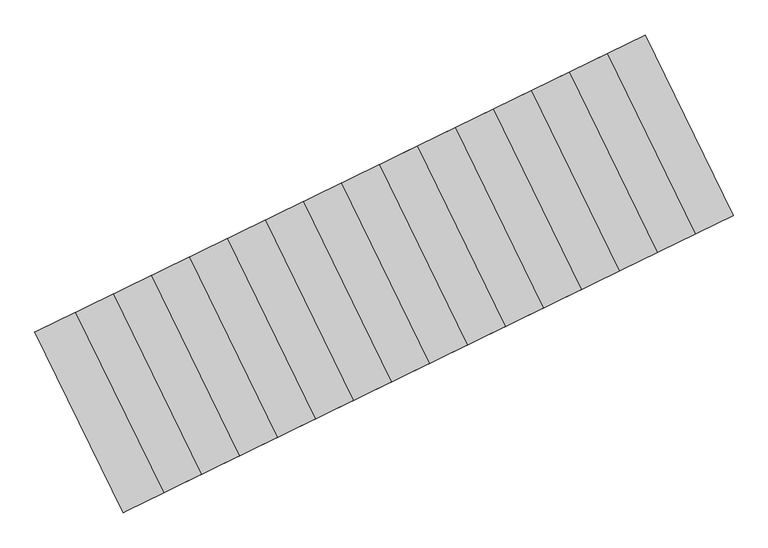
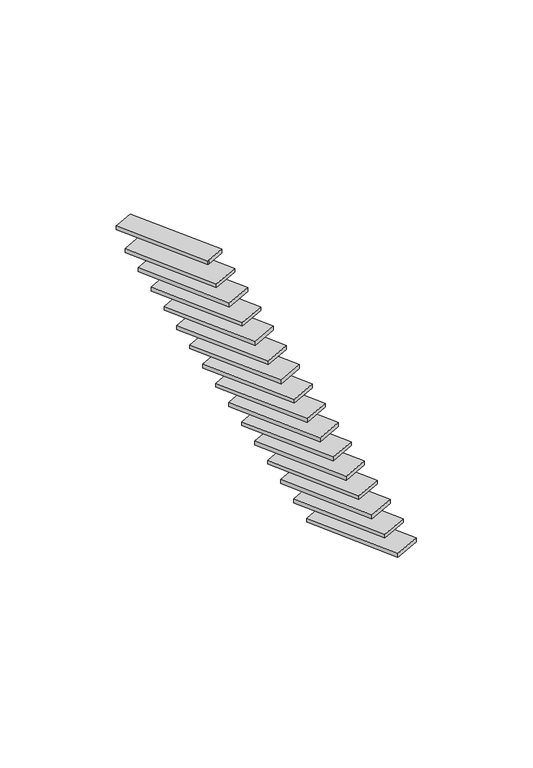
"""IFC4 building model written with IfcOpenShell, lengths in millimetres: stair flight geometry."""

import ifcopenshell
import ifcopenshell.guid

model = None  # the IFC model being written
_history = None  # IfcOwnerHistory: only IFC2X3 demands one
_inside = {}  # id of a spatial element -> (the spatial element, [elements in it])
_under = {}  # id of a project, library or spatial element -> (it, [spatial elements below it])
_declared = {}  # id of a project -> (the project, [libraries it declares])
_typed = {}  # id of a type object -> (the type object, [elements of that type])
_made_of = {}  # id of a material, layer set ... -> (it, [elements and type objects made of it])


def new_model(schema):
    """Start an empty IFC model of exactly this schema.

    Asked for "IFC4X3", IfcOpenShell would pick the latest addendum, in which some entities
    have other attributes; the version numbers below select the first issue.
    IFC2X3 requires an IfcOwnerHistory on every rooted entity: one is made here for all.
    """
    global model, _history
    if schema == "IFC4X3":
        model = ifcopenshell.file(schema_version=(4, 3, 0, 0))
    else:
        model = ifcopenshell.file(schema=schema)
    _inside.clear()
    _under.clear()
    _declared.clear()
    _typed.clear()
    _made_of.clear()
    _history = None
    if model.schema == "IFC2X3":
        org = make("IfcOrganization", Name="unknown")
        user = make(
            "IfcPersonAndOrganization",
            ThePerson=make("IfcPerson", FamilyName="unknown"),
            TheOrganization=org,
        )
        app = make(
            "IfcApplication",
            ApplicationDeveloper=org,
            Version="unknown",
            ApplicationFullName="unknown",
            ApplicationIdentifier="unknown",
        )
        _history = make(
            "IfcOwnerHistory",
            OwningUser=user,
            OwningApplication=app,
            ChangeAction="ADDED",
            CreationDate=0,
        )
    return model


def make(cls, **values):
    """One entity of the class cls with the attributes given. An attribute that is None is left unset."""
    return model.create_entity(
        cls, **{name: value for name, value in values.items() if value is not None}
    )


def rooted(cls, **values):
    """An entity with a GlobalId (a new one), such as an element, a storey or a relation."""
    return make(cls, GlobalId=ifcopenshell.guid.new(), OwnerHistory=_history, **values)


def si_unit(unit_type, name, prefix=None):
    """IfcSIUnit, for example si_unit("LENGTHUNIT", "METRE", prefix="MILLI")."""
    return make("IfcSIUnit", UnitType=unit_type, Prefix=prefix, Name=name)


def assignment(units):
    """IfcUnitAssignment: the units of a project."""
    return None if units is None else make("IfcUnitAssignment", Units=units)


def point(xyz):
    """IfcCartesianPoint."""
    return None if xyz is None else make("IfcCartesianPoint", Coordinates=xyz)


def direction(xyz):
    """IfcDirection."""
    return None if xyz is None else make("IfcDirection", DirectionRatios=xyz)


def frame(location, z_axis=None, x_axis=None):
    """IfcAxis2Placement3D, a coordinate frame: its origin and axes. An axis left out is left unset."""
    return make(
        "IfcAxis2Placement3D",
        Location=point(location),
        Axis=direction(z_axis),
        RefDirection=direction(x_axis),
    )


def origin():
    """The frame at (0, 0, 0) with its axes left unset."""
    return frame((0.0, 0.0, 0.0))


def place(relative_to, where):
    """IfcLocalPlacement: puts the frame where relative to a parent placement (None: the world)."""
    return make(
        "IfcLocalPlacement", PlacementRelTo=relative_to, RelativePlacement=where
    )


def context(
    kind, dimensions, precision=None, world=None, true_north=None, identifier=None
):
    """IfcGeometricRepresentationContext, for example the 3D "Model" context."""
    return make(
        "IfcGeometricRepresentationContext",
        ContextIdentifier=identifier,
        ContextType=kind,
        CoordinateSpaceDimension=dimensions,
        Precision=precision,
        WorldCoordinateSystem=world,
        TrueNorth=true_north,
    )


def project(units=None, contexts=None):
    """IfcProject with its units and contexts."""
    return rooted(
        "IfcProject",
        Name="project",
        RepresentationContexts=contexts,
        UnitsInContext=assignment(units),
    )


def spatial(cls, under=None, at=None, **own):
    """A site, building, storey or space (cls), placed at a placement, below another one or the project."""
    s = rooted(cls, ObjectPlacement=at, **own)
    if under is not None:
        _under.setdefault(under.id(), (under, []))[1].append(s)
    return s


def polyline(points):
    """IfcPolyline through the points."""
    return make("IfcPolyline", Points=[point(p) for p in points])


def outline(outer, holes=None, kind="AREA"):
    """IfcArbitraryClosedProfileDef: a profile drawn as a closed curve; with holes, ...WithVoids."""
    if holes is None:
        return make("IfcArbitraryClosedProfileDef", ProfileType=kind, OuterCurve=outer)
    return make(
        "IfcArbitraryProfileDefWithVoids",
        ProfileType=kind,
        OuterCurve=outer,
        InnerCurves=holes,
    )


def extrude(swept, where, along, depth):
    """IfcExtrudedAreaSolid: the profile swept, set in the frame where, extruded along a direction by depth."""
    return make(
        "IfcExtrudedAreaSolid",
        SweptArea=swept,
        Position=where,
        ExtrudedDirection=direction(along),
        Depth=depth,
    )


def shape(context_of_items, identifier, shape_type, items):
    """IfcShapeRepresentation: the items that make up one representation, for example the "Body"."""
    return make(
        "IfcShapeRepresentation",
        ContextOfItems=context_of_items,
        RepresentationIdentifier=identifier,
        RepresentationType=shape_type,
        Items=items,
    )


def source(mapping_origin, context_of_items, identifier, shape_type, items):
    """IfcRepresentationMap: a shape defined once, which mapped items show again and again."""
    return make(
        "IfcRepresentationMap",
        MappingOrigin=mapping_origin,
        MappedRepresentation=shape(context_of_items, identifier, shape_type, items),
    )


def transform(
    local_origin,
    x_axis=None,
    y_axis=None,
    z_axis=None,
    scale=None,
    scale2=None,
    scale3=None,
    uniform=True,
):
    """IfcCartesianTransformationOperator3D, or its non-uniform kind. x_axis, y_axis, z_axis: its Axis1, 2, 3."""
    if uniform:
        return make(
            "IfcCartesianTransformationOperator3D",
            Axis1=direction(x_axis),
            Axis2=direction(y_axis),
            LocalOrigin=point(local_origin),
            Scale=scale,
            Axis3=direction(z_axis),
        )
    return make(
        "IfcCartesianTransformationOperator3DnonUniform",
        Axis1=direction(x_axis),
        Axis2=direction(y_axis),
        LocalOrigin=point(local_origin),
        Scale=scale,
        Axis3=direction(z_axis),
        Scale2=scale2,
        Scale3=scale3,
    )


def mapped(mapping_source, mapping_target):
    """IfcMappedItem: shows the shape of a source again, moved by a transform."""
    return make(
        "IfcMappedItem", MappingSource=mapping_source, MappingTarget=mapping_target
    )


def made_of(thing, what):
    """Note that an element or type object is made of a material, layer set ...; save() writes the relation."""
    if what is not None:
        _made_of.setdefault(what.id(), (what, []))[1].append(thing)
    return thing


def element(
    cls,
    number,
    at=None,
    inside=None,
    cuts=None,
    type_object=None,
    material=None,
    context=None,
    identifier="Body",
    shape_type=None,
    held_by="IfcProductDefinitionShape",
    body=None,
    shapes=None,
    **own,
):
    """One element of the class cls, such as IfcWall. Its Tag is "e" and its number.

    at: its placement. inside: the storey or other place that contains it. cuts: it is an
    opening in that element (IfcRelVoidsElement). A single representation is given by context,
    identifier, shape_type and body (its items); several are given by shapes. held_by: the class
    of the entity that holds the representations. save() writes the other relations.
    """
    e = rooted(cls, Tag="e%d" % number, ObjectPlacement=at, **own)
    if body is not None:
        shapes = [shape(context, identifier, shape_type, body)]
    if shapes is not None:
        e.Representation = make(held_by, Representations=shapes)
    if inside is not None:
        _inside.setdefault(inside.id(), (inside, []))[1].append(e)
    if cuts is not None:
        rooted(
            "IfcRelVoidsElement", RelatingBuildingElement=cuts, RelatedOpeningElement=e
        )
    if type_object is not None:
        _typed.setdefault(type_object.id(), (type_object, []))[1].append(e)
    return made_of(e, material)


def aggregate(whole, parts):
    """IfcRelAggregates: a whole, such as a stair, and the parts it consists of."""
    return rooted("IfcRelAggregates", RelatingObject=whole, RelatedObjects=parts)


def save(model, path):
    """Write the relations noted so far, then the file.

    IfcRelAggregates (storeys below a building ...), IfcRelContainedInSpatialStructure (elements
    in a storey), IfcRelDefinesByType, IfcRelAssociatesMaterial and IfcRelDeclares: one each for
    every whole, place, type object, material and project.
    """
    for whole, parts in _under.values():
        aggregate(whole, parts)
    for where, things in _inside.values():
        rooted(
            "IfcRelContainedInSpatialStructure",
            RelatedElements=things,
            RelatingStructure=where,
        )
    for kind, things in _typed.values():
        rooted("IfcRelDefinesByType", RelatedObjects=things, RelatingType=kind)
    for what, things in _made_of.values():
        rooted("IfcRelAssociatesMaterial", RelatedObjects=things, RelatingMaterial=what)
    for by, libraries in _declared.values():
        rooted("IfcRelDeclares", RelatingContext=by, RelatedDefinitions=libraries)
    model.write(path)


def stair_flight_803d6e03(model_context):
    return source(origin(), model_context, "Body", "SweptSolid", [
        extrude(outline(polyline([(-129362.2221413, 21695.3191239), (-129674.931393, 22336.468104), (-129486.1846433, 22428.5260448), (-129173.4753916, 21787.3770647), (-129362.2221413, 21695.3191239)])), frame((0.0, 0.0, 11338.8973782), z_axis=(0.0, 0.0, 1.0), x_axis=(1.0, 0.0, 0.0)), (0.0, 0.0, 1.0), 30.0),
        extrude(outline(polyline([(-129497.0412482, 21629.5634519), (-129809.7505, 22270.712432), (-129621.0037503, 22362.7703728), (-129308.2944985, 21721.6213927), (-129497.0412482, 21629.5634519)])), frame((0.0, 0.0, 11578.2947564), z_axis=(0.0, 0.0, 1.0), x_axis=(1.0, 0.0, 0.0)), (0.0, 0.0, 1.0), 30.0),
        extrude(outline(polyline([(-129631.8603552, 21563.8077798), (-129944.5696069, 22204.95676), (-129755.8228572, 22297.0147008), (-129443.1136055, 21655.8657207), (-129631.8603552, 21563.8077798)])), frame((0.0, 0.0, 11817.6921346), z_axis=(0.0, 0.0, 1.0), x_axis=(1.0, 0.0, 0.0)), (0.0, 0.0, 1.0), 30.0),
        extrude(outline(polyline([(-129766.6794621, 21498.0521078), (-130079.3887139, 22139.2010879), (-129890.6419641, 22231.2590288), (-129577.9327124, 21590.1100487), (-129766.6794621, 21498.0521078)])), frame((0.0, 0.0, 12057.0895127), z_axis=(0.0, 0.0, 1.0), x_axis=(1.0, 0.0, 0.0)), (0.0, 0.0, 1.0), 30.0),
        extrude(outline(polyline([(-129901.4985691, 21432.2964358), (-130214.2078208, 22073.4454159), (-130025.4610711, 22165.5033568), (-129712.7518194, 21524.3543766), (-129901.4985691, 21432.2964358)])), frame((0.0, 0.0, 12296.4868909), z_axis=(0.0, 0.0, 1.0), x_axis=(1.0, 0.0, 0.0)), (0.0, 0.0, 1.0), 30.0),
        extrude(outline(polyline([(-130036.317676, 21366.5407638), (-130349.0269278, 22007.6897439), (-130160.280178, 22099.7476847), (-129847.5709263, 21458.5987046), (-130036.317676, 21366.5407638)])), frame((0.0, 0.0, 12535.8842691), z_axis=(0.0, 0.0, 1.0), x_axis=(1.0, 0.0, 0.0)), (0.0, 0.0, 1.0), 30.0),
        extrude(outline(polyline([(-130171.136783, 21300.7850918), (-130483.8460347, 21941.9340719), (-130295.099285, 22033.9920127), (-129982.3900332, 21392.8430326), (-130171.136783, 21300.7850918)])), frame((0.0, 0.0, 12775.2816473), z_axis=(0.0, 0.0, 1.0), x_axis=(1.0, 0.0, 0.0)), (0.0, 0.0, 1.0), 30.0),
        extrude(outline(polyline([(-130305.9558899, 21235.0294198), (-130618.6651416, 21876.1783999), (-130429.9183919, 21968.2363407), (-130117.2091402, 21327.0873606), (-130305.9558899, 21235.0294198)])), frame((0.0, 0.0, 13014.6790255), z_axis=(0.0, 0.0, 1.0), x_axis=(1.0, 0.0, 0.0)), (0.0, 0.0, 1.0), 30.0),
        extrude(outline(polyline([(-130440.7749969, 21169.2737477), (-130753.4842486, 21810.4227279), (-130564.7374989, 21902.4806687), (-130252.0282471, 21261.3316886), (-130440.7749969, 21169.2737477)])), frame((0.0, 0.0, 13254.0764037), z_axis=(0.0, 0.0, 1.0), x_axis=(1.0, 0.0, 0.0)), (0.0, 0.0, 1.0), 30.0),
        extrude(outline(polyline([(-130575.5941038, 21103.5180757), (-130888.3033555, 21744.6670558), (-130699.5566058, 21836.7249967), (-130386.8473541, 21195.5760165), (-130575.5941038, 21103.5180757)])), frame((0.0, 0.0, 13493.4737818), z_axis=(0.0, 0.0, 1.0), x_axis=(1.0, 0.0, 0.0)), (0.0, 0.0, 1.0), 30.0),
        extrude(outline(polyline([(-130710.4132107, 21037.7624037), (-131023.1224625, 21678.9113838), (-130834.3757128, 21770.9693246), (-130521.666461, 21129.8203445), (-130710.4132107, 21037.7624037)])), frame((0.0, 0.0, 13732.87116), z_axis=(0.0, 0.0, 1.0), x_axis=(1.0, 0.0, 0.0)), (0.0, 0.0, 1.0), 30.0),
        extrude(outline(polyline([(-130845.2323177, 20972.0067317), (-131157.9415694, 21613.1557118), (-130969.1948197, 21705.2136526), (-130656.485568, 21064.0646725), (-130845.2323177, 20972.0067317)])), frame((0.0, 0.0, 13972.2685382), z_axis=(0.0, 0.0, 1.0), x_axis=(1.0, 0.0, 0.0)), (0.0, 0.0, 1.0), 30.0),
        extrude(outline(polyline([(-130980.0514246, 20906.2510597), (-131292.7606764, 21547.4000398), (-131104.0139266, 21639.4579806), (-130791.3046749, 20998.3090005), (-130980.0514246, 20906.2510597)])), frame((0.0, 0.0, 14211.6659164), z_axis=(0.0, 0.0, 1.0), x_axis=(1.0, 0.0, 0.0)), (0.0, 0.0, 1.0), 30.0),
        extrude(outline(polyline([(-131114.8705316, 20840.4953876), (-131427.5797833, 21481.6443678), (-131238.8330336, 21573.7023086), (-130926.1237819, 20932.5533285), (-131114.8705316, 20840.4953876)])), frame((0.0, 0.0, 14451.0632946), z_axis=(0.0, 0.0, 1.0), x_axis=(1.0, 0.0, 0.0)), (0.0, 0.0, 1.0), 30.0),
        extrude(outline(polyline([(-131249.6896385, 20774.7397156), (-131562.3988903, 21415.8886957), (-131373.6521405, 21507.9466366), (-131060.9428888, 20866.7976564), (-131249.6896385, 20774.7397156)])), frame((0.0, 0.0, 14690.4606728), z_axis=(0.0, 0.0, 1.0), x_axis=(1.0, 0.0, 0.0)), (0.0, 0.0, 1.0), 30.0),
        extrude(outline(polyline([(-131339.5690432, 20730.9026009), (-131652.3548129, 21372.2084661), (-131643.2903544, 21376.4352925), (-131508.4712475, 21442.1909646), (-131195.7619958, 20801.0419844), (-131330.5811027, 20735.2863124), (-131339.5690432, 20730.9026009)])), frame((0.0, 0.0, 14929.8580509), z_axis=(0.0, 0.0, 1.0), x_axis=(1.0, 0.0, 0.0)), (0.0, 0.0, 1.0), 30.0),
    ])


if __name__ == "__main__":
    model = new_model("IFC4")
    model_context = context("Model", 3, world=origin())
    ifc_project = project(units=[si_unit("LENGTHUNIT", "METRE", prefix="MILLI")], contexts=[model_context])
    site = spatial("IfcSite", under=ifc_project)
    building = spatial("IfcBuilding", under=site)
    placement = place(None, origin())
    stair_flight_shape = stair_flight_803d6e03(model_context)
    element("IfcStairFlight", 1, at=placement, inside=building, context=model_context, shape_type="MappedRepresentation", body=[
        mapped(stair_flight_shape, transform((0.0, 0.0, 0.0), x_axis=(1.0, 0.0, 0.0), y_axis=(0.0, 1.0, 0.0), z_axis=(0.0, 0.0, 1.0))),
    ])
    save(model, "model.ifc")
